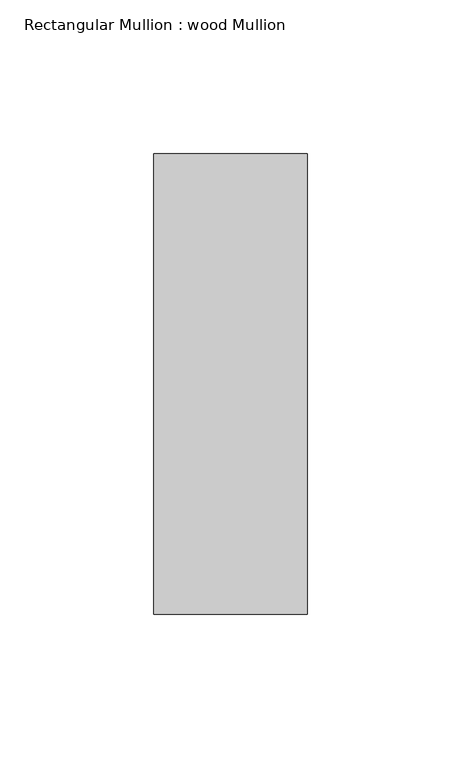
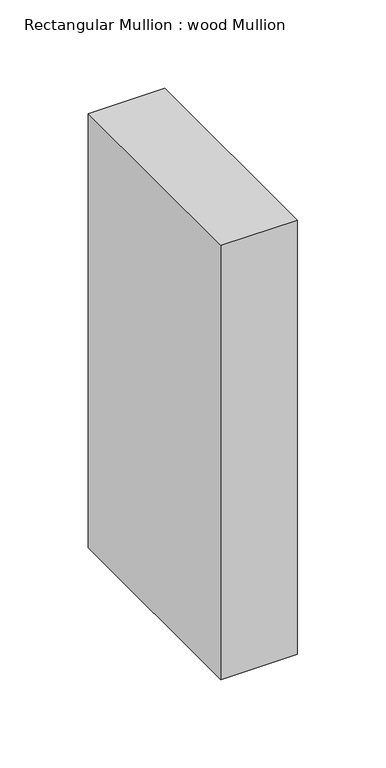
"""IFC4 building model written with IfcOpenShell, lengths in millimetres: member geometry, Rectangular Mullion : wood Mullion."""

import ifcopenshell
import ifcopenshell.guid

model = None  # the IFC model being written
_history = None  # IfcOwnerHistory: only IFC2X3 demands one
_inside = {}  # id of a spatial element -> (the spatial element, [elements in it])
_under = {}  # id of a project, library or spatial element -> (it, [spatial elements below it])
_declared = {}  # id of a project -> (the project, [libraries it declares])
_typed = {}  # id of a type object -> (the type object, [elements of that type])
_made_of = {}  # id of a material, layer set ... -> (it, [elements and type objects made of it])


def new_model(schema):
    """Start an empty IFC model of exactly this schema.

    Asked for "IFC4X3", IfcOpenShell would pick the latest addendum, in which some entities
    have other attributes; the version numbers below select the first issue.
    IFC2X3 requires an IfcOwnerHistory on every rooted entity: one is made here for all.
    """
    global model, _history
    if schema == "IFC4X3":
        model = ifcopenshell.file(schema_version=(4, 3, 0, 0))
    else:
        model = ifcopenshell.file(schema=schema)
    _inside.clear()
    _under.clear()
    _declared.clear()
    _typed.clear()
    _made_of.clear()
    _history = None
    if model.schema == "IFC2X3":
        org = make("IfcOrganization", Name="unknown")
        user = make(
            "IfcPersonAndOrganization",
            ThePerson=make("IfcPerson", FamilyName="unknown"),
            TheOrganization=org,
        )
        app = make(
            "IfcApplication",
            ApplicationDeveloper=org,
            Version="unknown",
            ApplicationFullName="unknown",
            ApplicationIdentifier="unknown",
        )
        _history = make(
            "IfcOwnerHistory",
            OwningUser=user,
            OwningApplication=app,
            ChangeAction="ADDED",
            CreationDate=0,
        )
    return model


def make(cls, **values):
    """One entity of the class cls with the attributes given. An attribute that is None is left unset."""
    return model.create_entity(
        cls, **{name: value for name, value in values.items() if value is not None}
    )


def rooted(cls, **values):
    """An entity with a GlobalId (a new one), such as an element, a storey or a relation."""
    return make(cls, GlobalId=ifcopenshell.guid.new(), OwnerHistory=_history, **values)


def si_unit(unit_type, name, prefix=None):
    """IfcSIUnit, for example si_unit("LENGTHUNIT", "METRE", prefix="MILLI")."""
    return make("IfcSIUnit", UnitType=unit_type, Prefix=prefix, Name=name)


def assignment(units):
    """IfcUnitAssignment: the units of a project."""
    return None if units is None else make("IfcUnitAssignment", Units=units)


def point(xyz):
    """IfcCartesianPoint."""
    return None if xyz is None else make("IfcCartesianPoint", Coordinates=xyz)


def direction(xyz):
    """IfcDirection."""
    return None if xyz is None else make("IfcDirection", DirectionRatios=xyz)


def frame(location, z_axis=None, x_axis=None):
    """IfcAxis2Placement3D, a coordinate frame: its origin and axes. An axis left out is left unset."""
    return make(
        "IfcAxis2Placement3D",
        Location=point(location),
        Axis=direction(z_axis),
        RefDirection=direction(x_axis),
    )


def origin():
    """The frame at (0, 0, 0) with its axes left unset."""
    return frame((0.0, 0.0, 0.0))


def place(relative_to, where):
    """IfcLocalPlacement: puts the frame where relative to a parent placement (None: the world)."""
    return make(
        "IfcLocalPlacement", PlacementRelTo=relative_to, RelativePlacement=where
    )


def context(
    kind, dimensions, precision=None, world=None, true_north=None, identifier=None
):
    """IfcGeometricRepresentationContext, for example the 3D "Model" context."""
    return make(
        "IfcGeometricRepresentationContext",
        ContextIdentifier=identifier,
        ContextType=kind,
        CoordinateSpaceDimension=dimensions,
        Precision=precision,
        WorldCoordinateSystem=world,
        TrueNorth=true_north,
    )


def project(units=None, contexts=None):
    """IfcProject with its units and contexts."""
    return rooted(
        "IfcProject",
        Name="project",
        RepresentationContexts=contexts,
        UnitsInContext=assignment(units),
    )


def spatial(cls, under=None, at=None, **own):
    """A site, building, storey or space (cls), placed at a placement, below another one or the project."""
    s = rooted(cls, ObjectPlacement=at, **own)
    if under is not None:
        _under.setdefault(under.id(), (under, []))[1].append(s)
    return s


def polyline(points):
    """IfcPolyline through the points."""
    return make("IfcPolyline", Points=[point(p) for p in points])


def outline(outer, holes=None, kind="AREA"):
    """IfcArbitraryClosedProfileDef: a profile drawn as a closed curve; with holes, ...WithVoids."""
    if holes is None:
        return make("IfcArbitraryClosedProfileDef", ProfileType=kind, OuterCurve=outer)
    return make(
        "IfcArbitraryProfileDefWithVoids",
        ProfileType=kind,
        OuterCurve=outer,
        InnerCurves=holes,
    )


def extrude(swept, where, along, depth):
    """IfcExtrudedAreaSolid: the profile swept, set in the frame where, extruded along a direction by depth."""
    return make(
        "IfcExtrudedAreaSolid",
        SweptArea=swept,
        Position=where,
        ExtrudedDirection=direction(along),
        Depth=depth,
    )


def shape(context_of_items, identifier, shape_type, items):
    """IfcShapeRepresentation: the items that make up one representation, for example the "Body"."""
    return make(
        "IfcShapeRepresentation",
        ContextOfItems=context_of_items,
        RepresentationIdentifier=identifier,
        RepresentationType=shape_type,
        Items=items,
    )


def source(mapping_origin, context_of_items, identifier, shape_type, items):
    """IfcRepresentationMap: a shape defined once, which mapped items show again and again."""
    return make(
        "IfcRepresentationMap",
        MappingOrigin=mapping_origin,
        MappedRepresentation=shape(context_of_items, identifier, shape_type, items),
    )


def transform(
    local_origin,
    x_axis=None,
    y_axis=None,
    z_axis=None,
    scale=None,
    scale2=None,
    scale3=None,
    uniform=True,
):
    """IfcCartesianTransformationOperator3D, or its non-uniform kind. x_axis, y_axis, z_axis: its Axis1, 2, 3."""
    if uniform:
        return make(
            "IfcCartesianTransformationOperator3D",
            Axis1=direction(x_axis),
            Axis2=direction(y_axis),
            LocalOrigin=point(local_origin),
            Scale=scale,
            Axis3=direction(z_axis),
        )
    return make(
        "IfcCartesianTransformationOperator3DnonUniform",
        Axis1=direction(x_axis),
        Axis2=direction(y_axis),
        LocalOrigin=point(local_origin),
        Scale=scale,
        Axis3=direction(z_axis),
        Scale2=scale2,
        Scale3=scale3,
    )


def mapped(mapping_source, mapping_target):
    """IfcMappedItem: shows the shape of a source again, moved by a transform."""
    return make(
        "IfcMappedItem", MappingSource=mapping_source, MappingTarget=mapping_target
    )


def made_of(thing, what):
    """Note that an element or type object is made of a material, layer set ...; save() writes the relation."""
    if what is not None:
        _made_of.setdefault(what.id(), (what, []))[1].append(thing)
    return thing


def element(
    cls,
    number,
    at=None,
    inside=None,
    cuts=None,
    type_object=None,
    material=None,
    context=None,
    identifier="Body",
    shape_type=None,
    held_by="IfcProductDefinitionShape",
    body=None,
    shapes=None,
    **own,
):
    """One element of the class cls, such as IfcWall. Its Tag is "e" and its number.

    at: its placement. inside: the storey or other place that contains it. cuts: it is an
    opening in that element (IfcRelVoidsElement). A single representation is given by context,
    identifier, shape_type and body (its items); several are given by shapes. held_by: the class
    of the entity that holds the representations. save() writes the other relations.
    """
    e = rooted(cls, Tag="e%d" % number, ObjectPlacement=at, **own)
    if body is not None:
        shapes = [shape(context, identifier, shape_type, body)]
    if shapes is not None:
        e.Representation = make(held_by, Representations=shapes)
    if inside is not None:
        _inside.setdefault(inside.id(), (inside, []))[1].append(e)
    if cuts is not None:
        rooted(
            "IfcRelVoidsElement", RelatingBuildingElement=cuts, RelatedOpeningElement=e
        )
    if type_object is not None:
        _typed.setdefault(type_object.id(), (type_object, []))[1].append(e)
    return made_of(e, material)


def aggregate(whole, parts):
    """IfcRelAggregates: a whole, such as a stair, and the parts it consists of."""
    return rooted("IfcRelAggregates", RelatingObject=whole, RelatedObjects=parts)


def save(model, path):
    """Write the relations noted so far, then the file.

    IfcRelAggregates (storeys below a building ...), IfcRelContainedInSpatialStructure (elements
    in a storey), IfcRelDefinesByType, IfcRelAssociatesMaterial and IfcRelDeclares: one each for
    every whole, place, type object, material and project.
    """
    for whole, parts in _under.values():
        aggregate(whole, parts)
    for where, things in _inside.values():
        rooted(
            "IfcRelContainedInSpatialStructure",
            RelatedElements=things,
            RelatingStructure=where,
        )
    for kind, things in _typed.values():
        rooted("IfcRelDefinesByType", RelatedObjects=things, RelatingType=kind)
    for what, things in _made_of.values():
        rooted("IfcRelAssociatesMaterial", RelatedObjects=things, RelatingMaterial=what)
    for by, libraries in _declared.values():
        rooted("IfcRelDeclares", RelatingContext=by, RelatedDefinitions=libraries)
    model.write(path)


def rectangular_mullion_wood_mullion_82697a32(model_context):
    return source(origin(), model_context, "Body", "SweptSolid", [
        extrude(outline(polyline([(0.0, 75.0), (0.0, -75.0), (-50.0, -75.0), (-50.0, 75.0), (0.0, 75.0)])), frame((0.0, 0.0, -300.0), z_axis=(0.0, 0.0, 1.0), x_axis=(1.0, 0.0, 0.0)), (0.0, 0.0, 1.0), 300.0),
    ])


if __name__ == "__main__":
    model = new_model("IFC4")
    model_context = context("Model", 3, world=origin())
    ifc_project = project(units=[si_unit("LENGTHUNIT", "METRE", prefix="MILLI")], contexts=[model_context])
    site = spatial("IfcSite", under=ifc_project)
    building = spatial("IfcBuilding", under=site)
    placement = place(None, origin())
    rectangular_mullion_wood_mullion_shape = rectangular_mullion_wood_mullion_82697a32(model_context)
    element("IfcMember", 1, ObjectType="Rectangular Mullion : wood Mullion", at=placement, inside=building, context=model_context, shape_type="MappedRepresentation", body=[
        mapped(rectangular_mullion_wood_mullion_shape, transform((0.0, 0.0, 0.0), x_axis=(1.0, 0.0, 0.0), y_axis=(0.0, 1.0, 0.0), z_axis=(0.0, 0.0, 1.0))),
    ])
    save(model, "model.ifc")
